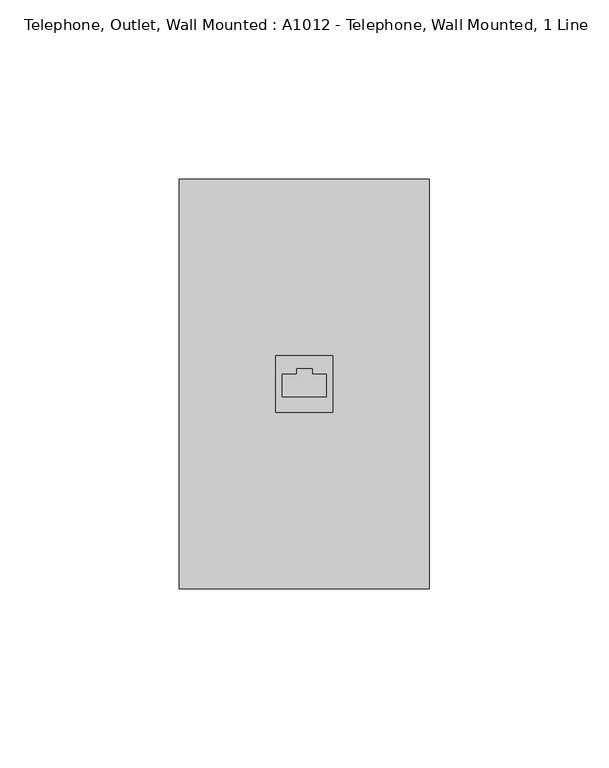
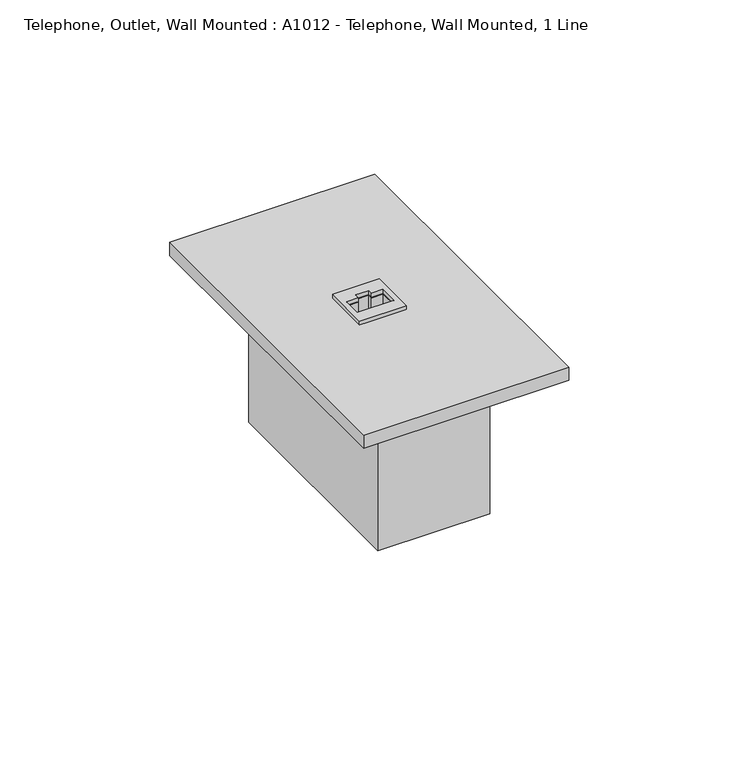
"""IFC4 building model written with IfcOpenShell, lengths in millimetres: electric appliance geometry, Telephone, Outlet, Wall Mounted : A1012 - Telephone, Wall Mounted, 1 Line."""

from ifc_helpers import new_model, si_unit, frame, origin, origin_with_axes, place, context, project, spatial, polyline, outline, extrude, source, transform, mapped, element, save


def telephone_outlet_wall_mounted_a1012_telephone_wall_mounted_1_06418e79(model_context):
    return source(origin(), model_context, "Body", "SweptSolid", [
        extrude(outline(polyline([(34.925, 57.15), (34.925, -57.15), (-34.925, -57.15), (-34.925, 57.15), (34.925, 57.15)]), holes=[polyline([(6.1840426, 2.6725887), (2.2152926, 2.6725887), (2.2152926, 4.2600887), (-2.1698748, 4.2600887), (-2.1698748, 2.6725887), (-6.1761054, 2.6725887), (-6.1761054, -3.6317489), (6.1840426, -3.6317489), (6.1840426, 2.6725887)])]), origin_with_axes(), (0.0, 0.0, 1.0), 4.7625),
        extrude(outline(polyline([(19.05, 38.1), (19.05, -38.1), (-19.05, -38.1), (-19.05, 38.1), (19.05, 38.1)])), frame((0.0, 0.0, -53.975), z_axis=(0.0, 0.0, 1.0), x_axis=(1.0, 0.0, 0.0)), (0.0, 0.0, 1.0), 53.975),
        extrude(outline(polyline([(-7.9375, 7.9375), (7.9375, 7.9375), (7.9375, -7.9375), (-7.9375, -7.9375), (-7.9375, 7.9375)]), holes=[polyline([(6.1840426, 2.6725887), (2.2152926, 2.6725887), (2.2152926, 4.2600887), (-2.1698748, 4.2600887), (-2.1698748, 2.6725887), (-6.1761054, 2.6725887), (-6.1761054, -3.6317489), (6.1840426, -3.6317489), (6.1840426, 2.6725887)])]), frame((0.0, 0.0, 0.1002738), z_axis=(0.0, 0.0, 1.0), x_axis=(1.0, 0.0, 0.0)), (0.0, 0.0, 1.0), 6.35),
    ])


if __name__ == "__main__":
    model = new_model("IFC4")
    model_context = context("Model", 3, world=origin())
    ifc_project = project(units=[si_unit("LENGTHUNIT", "METRE", prefix="MILLI")], contexts=[model_context])
    site = spatial("IfcSite", under=ifc_project)
    building = spatial("IfcBuilding", under=site)
    placement = place(None, origin())
    telephone_outlet_wall_mounted_a1012_telephone_wall_mounted_1_shape = telephone_outlet_wall_mounted_a1012_telephone_wall_mounted_1_06418e79(model_context)
    element("IfcElectricAppliance", 1, ObjectType="Telephone, Outlet, Wall Mounted : A1012 - Telephone, Wall Mounted, 1 Line", at=placement, inside=building, context=model_context, shape_type="MappedRepresentation", body=[
        mapped(telephone_outlet_wall_mounted_a1012_telephone_wall_mounted_1_shape, transform((0.0, 0.0, 0.0), x_axis=(1.0, 0.0, 0.0), y_axis=(0.0, 1.0, 0.0), z_axis=(0.0, 0.0, 1.0))),
    ])
    save(model, "model.ifc")
